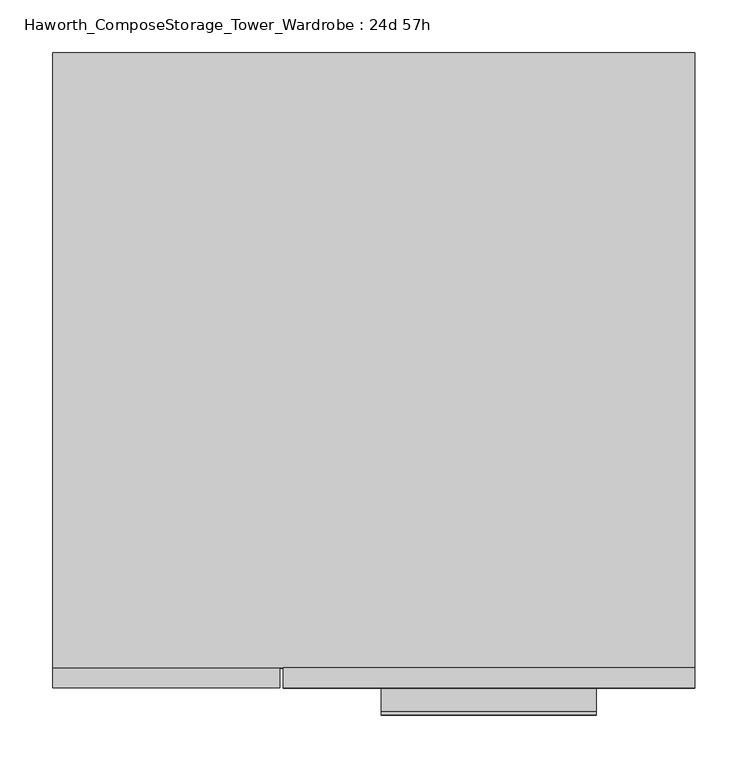
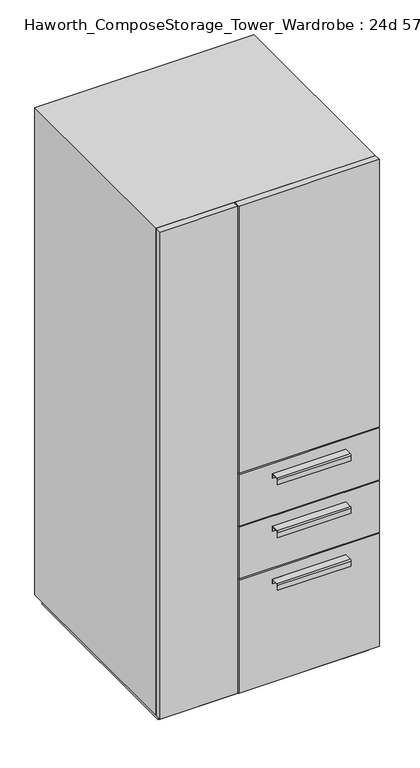
"""IFC4 building model written with IfcOpenShell, lengths in millimetres: furniture geometry, Haworth_ComposeStorage_Tower_Wardrobe : 24d 57h."""

import ifcopenshell
import ifcopenshell.guid

model = None  # the IFC model being written
_history = None  # IfcOwnerHistory: only IFC2X3 demands one
_inside = {}  # id of a spatial element -> (the spatial element, [elements in it])
_under = {}  # id of a project, library or spatial element -> (it, [spatial elements below it])
_declared = {}  # id of a project -> (the project, [libraries it declares])
_typed = {}  # id of a type object -> (the type object, [elements of that type])
_made_of = {}  # id of a material, layer set ... -> (it, [elements and type objects made of it])


def new_model(schema):
    """Start an empty IFC model of exactly this schema.

    Asked for "IFC4X3", IfcOpenShell would pick the latest addendum, in which some entities
    have other attributes; the version numbers below select the first issue.
    IFC2X3 requires an IfcOwnerHistory on every rooted entity: one is made here for all.
    """
    global model, _history
    if schema == "IFC4X3":
        model = ifcopenshell.file(schema_version=(4, 3, 0, 0))
    else:
        model = ifcopenshell.file(schema=schema)
    _inside.clear()
    _under.clear()
    _declared.clear()
    _typed.clear()
    _made_of.clear()
    _history = None
    if model.schema == "IFC2X3":
        org = make("IfcOrganization", Name="unknown")
        user = make(
            "IfcPersonAndOrganization",
            ThePerson=make("IfcPerson", FamilyName="unknown"),
            TheOrganization=org,
        )
        app = make(
            "IfcApplication",
            ApplicationDeveloper=org,
            Version="unknown",
            ApplicationFullName="unknown",
            ApplicationIdentifier="unknown",
        )
        _history = make(
            "IfcOwnerHistory",
            OwningUser=user,
            OwningApplication=app,
            ChangeAction="ADDED",
            CreationDate=0,
        )
    return model


def make(cls, **values):
    """One entity of the class cls with the attributes given. An attribute that is None is left unset."""
    return model.create_entity(
        cls, **{name: value for name, value in values.items() if value is not None}
    )


def rooted(cls, **values):
    """An entity with a GlobalId (a new one), such as an element, a storey or a relation."""
    return make(cls, GlobalId=ifcopenshell.guid.new(), OwnerHistory=_history, **values)


def si_unit(unit_type, name, prefix=None):
    """IfcSIUnit, for example si_unit("LENGTHUNIT", "METRE", prefix="MILLI")."""
    return make("IfcSIUnit", UnitType=unit_type, Prefix=prefix, Name=name)


def assignment(units):
    """IfcUnitAssignment: the units of a project."""
    return None if units is None else make("IfcUnitAssignment", Units=units)


def point(xyz):
    """IfcCartesianPoint."""
    return None if xyz is None else make("IfcCartesianPoint", Coordinates=xyz)


def direction(xyz):
    """IfcDirection."""
    return None if xyz is None else make("IfcDirection", DirectionRatios=xyz)


def frame(location, z_axis=None, x_axis=None):
    """IfcAxis2Placement3D, a coordinate frame: its origin and axes. An axis left out is left unset."""
    return make(
        "IfcAxis2Placement3D",
        Location=point(location),
        Axis=direction(z_axis),
        RefDirection=direction(x_axis),
    )


def frame_2d(location, x_axis=None):
    """IfcAxis2Placement2D, a coordinate frame in the plane: its origin and x axis."""
    return make(
        "IfcAxis2Placement2D", Location=point(location), RefDirection=direction(x_axis)
    )


def origin():
    """The frame at (0, 0, 0) with its axes left unset."""
    return frame((0.0, 0.0, 0.0))


def origin_with_axes():
    """The frame at (0, 0, 0) with the z axis (0, 0, 1) and the x axis (1, 0, 0) written out."""
    return frame((0.0, 0.0, 0.0), z_axis=(0.0, 0.0, 1.0), x_axis=(1.0, 0.0, 0.0))


def place(relative_to, where):
    """IfcLocalPlacement: puts the frame where relative to a parent placement (None: the world)."""
    return make(
        "IfcLocalPlacement", PlacementRelTo=relative_to, RelativePlacement=where
    )


def context(
    kind, dimensions, precision=None, world=None, true_north=None, identifier=None
):
    """IfcGeometricRepresentationContext, for example the 3D "Model" context."""
    return make(
        "IfcGeometricRepresentationContext",
        ContextIdentifier=identifier,
        ContextType=kind,
        CoordinateSpaceDimension=dimensions,
        Precision=precision,
        WorldCoordinateSystem=world,
        TrueNorth=true_north,
    )


def project(units=None, contexts=None):
    """IfcProject with its units and contexts."""
    return rooted(
        "IfcProject",
        Name="project",
        RepresentationContexts=contexts,
        UnitsInContext=assignment(units),
    )


def spatial(cls, under=None, at=None, **own):
    """A site, building, storey or space (cls), placed at a placement, below another one or the project."""
    s = rooted(cls, ObjectPlacement=at, **own)
    if under is not None:
        _under.setdefault(under.id(), (under, []))[1].append(s)
    return s


def polyline(points):
    """IfcPolyline through the points."""
    return make("IfcPolyline", Points=[point(p) for p in points])


def circle_curve(where, radius):
    """IfcCircle in the frame where."""
    return make("IfcCircle", Position=where, Radius=radius)


def trimmed(basis, trim1, trim2, sense, master):
    """IfcTrimmedCurve: the piece of a basis curve between two trims."""
    return make(
        "IfcTrimmedCurve",
        BasisCurve=basis,
        Trim1=trim1,
        Trim2=trim2,
        SenseAgreement=sense,
        MasterRepresentation=master,
    )


def segment(curve, same_sense, transition):
    """IfcCompositeCurveSegment."""
    return make(
        "IfcCompositeCurveSegment",
        Transition=transition,
        SameSense=same_sense,
        ParentCurve=curve,
    )


def composite_curve(segments, self_intersect=None):
    """IfcCompositeCurve: segments joined end to end."""
    return make("IfcCompositeCurve", Segments=segments, SelfIntersect=self_intersect)


def outline(outer, holes=None, kind="AREA"):
    """IfcArbitraryClosedProfileDef: a profile drawn as a closed curve; with holes, ...WithVoids."""
    if holes is None:
        return make("IfcArbitraryClosedProfileDef", ProfileType=kind, OuterCurve=outer)
    return make(
        "IfcArbitraryProfileDefWithVoids",
        ProfileType=kind,
        OuterCurve=outer,
        InnerCurves=holes,
    )


def extrude(swept, where, along, depth):
    """IfcExtrudedAreaSolid: the profile swept, set in the frame where, extruded along a direction by depth."""
    return make(
        "IfcExtrudedAreaSolid",
        SweptArea=swept,
        Position=where,
        ExtrudedDirection=direction(along),
        Depth=depth,
    )


def faces_of(points, faces, orient=None, outer=None):
    """IfcFace entities. A face is a list of loops; a loop is a list of indices into points, from 0.

    orient and outer hold one flag for each loop. By default every Orientation is true, the
    first loop of a face is its IfcFaceOuterBound and the others are IfcFaceBound.
    """
    made = []
    for i, loops in enumerate(faces):
        bounds = []
        for j, loop in enumerate(loops):
            is_outer = j == 0 if outer is None else outer[i][j]
            bounds.append(
                make(
                    "IfcFaceOuterBound" if is_outer else "IfcFaceBound",
                    Bound=make("IfcPolyLoop", Polygon=[points[k] for k in loop]),
                    Orientation=True if orient is None else orient[i][j],
                )
            )
        made.append(make("IfcFace", Bounds=bounds))
    return made


def faceted_brep(points, faces, orient=None, outer=None, voids=None):
    """IfcFacetedBrep: a solid bounded by flat faces; with voids (closed shells), ...WithVoids."""
    shared = [point(p) for p in points]
    hull = make("IfcClosedShell", CfsFaces=faces_of(shared, faces, orient, outer))
    if voids is None:
        return make("IfcFacetedBrep", Outer=hull)
    return make(
        "IfcFacetedBrepWithVoids",
        Outer=hull,
        Voids=[
            make(cls, CfsFaces=faces_of(shared, fs, o, b)) for cls, fs, o, b in voids
        ],
    )


def shape(context_of_items, identifier, shape_type, items):
    """IfcShapeRepresentation: the items that make up one representation, for example the "Body"."""
    return make(
        "IfcShapeRepresentation",
        ContextOfItems=context_of_items,
        RepresentationIdentifier=identifier,
        RepresentationType=shape_type,
        Items=items,
    )


def source(mapping_origin, context_of_items, identifier, shape_type, items):
    """IfcRepresentationMap: a shape defined once, which mapped items show again and again."""
    return make(
        "IfcRepresentationMap",
        MappingOrigin=mapping_origin,
        MappedRepresentation=shape(context_of_items, identifier, shape_type, items),
    )


def transform(
    local_origin,
    x_axis=None,
    y_axis=None,
    z_axis=None,
    scale=None,
    scale2=None,
    scale3=None,
    uniform=True,
):
    """IfcCartesianTransformationOperator3D, or its non-uniform kind. x_axis, y_axis, z_axis: its Axis1, 2, 3."""
    if uniform:
        return make(
            "IfcCartesianTransformationOperator3D",
            Axis1=direction(x_axis),
            Axis2=direction(y_axis),
            LocalOrigin=point(local_origin),
            Scale=scale,
            Axis3=direction(z_axis),
        )
    return make(
        "IfcCartesianTransformationOperator3DnonUniform",
        Axis1=direction(x_axis),
        Axis2=direction(y_axis),
        LocalOrigin=point(local_origin),
        Scale=scale,
        Axis3=direction(z_axis),
        Scale2=scale2,
        Scale3=scale3,
    )


def mapped(mapping_source, mapping_target):
    """IfcMappedItem: shows the shape of a source again, moved by a transform."""
    return make(
        "IfcMappedItem", MappingSource=mapping_source, MappingTarget=mapping_target
    )


def made_of(thing, what):
    """Note that an element or type object is made of a material, layer set ...; save() writes the relation."""
    if what is not None:
        _made_of.setdefault(what.id(), (what, []))[1].append(thing)
    return thing


def element(
    cls,
    number,
    at=None,
    inside=None,
    cuts=None,
    type_object=None,
    material=None,
    context=None,
    identifier="Body",
    shape_type=None,
    held_by="IfcProductDefinitionShape",
    body=None,
    shapes=None,
    **own,
):
    """One element of the class cls, such as IfcWall. Its Tag is "e" and its number.

    at: its placement. inside: the storey or other place that contains it. cuts: it is an
    opening in that element (IfcRelVoidsElement). A single representation is given by context,
    identifier, shape_type and body (its items); several are given by shapes. held_by: the class
    of the entity that holds the representations. save() writes the other relations.
    """
    e = rooted(cls, Tag="e%d" % number, ObjectPlacement=at, **own)
    if body is not None:
        shapes = [shape(context, identifier, shape_type, body)]
    if shapes is not None:
        e.Representation = make(held_by, Representations=shapes)
    if inside is not None:
        _inside.setdefault(inside.id(), (inside, []))[1].append(e)
    if cuts is not None:
        rooted(
            "IfcRelVoidsElement", RelatingBuildingElement=cuts, RelatedOpeningElement=e
        )
    if type_object is not None:
        _typed.setdefault(type_object.id(), (type_object, []))[1].append(e)
    return made_of(e, material)


def aggregate(whole, parts):
    """IfcRelAggregates: a whole, such as a stair, and the parts it consists of."""
    return rooted("IfcRelAggregates", RelatingObject=whole, RelatedObjects=parts)


def save(model, path):
    """Write the relations noted so far, then the file.

    IfcRelAggregates (storeys below a building ...), IfcRelContainedInSpatialStructure (elements
    in a storey), IfcRelDefinesByType, IfcRelAssociatesMaterial and IfcRelDeclares: one each for
    every whole, place, type object, material and project.
    """
    for whole, parts in _under.values():
        aggregate(whole, parts)
    for where, things in _inside.values():
        rooted(
            "IfcRelContainedInSpatialStructure",
            RelatedElements=things,
            RelatingStructure=where,
        )
    for kind, things in _typed.values():
        rooted("IfcRelDefinesByType", RelatedObjects=things, RelatingType=kind)
    for what, things in _made_of.values():
        rooted("IfcRelAssociatesMaterial", RelatedObjects=things, RelatingMaterial=what)
    for by, libraries in _declared.values():
        rooted("IfcRelDeclares", RelatingContext=by, RelatedDefinitions=libraries)
    model.write(path)


def haworth_composestorage_tower_wardrobe_24d_57h_ea13c038(model_context):
    return source(origin(), model_context, "Body", "SolidModel", [
        extrude(outline(composite_curve([segment(polyline([(-331.7875242, 633.9919215), (-309.5625, 633.9919215), (-309.5625, 620.5299525), (-310.3562742, 620.5299525), (-310.3562742, 633.1982199), (-331.7875242, 633.1982199)]), True, "CONTINUOUS"), segment(trimmed(circle_curve(frame_2d((-331.7875242, 630.8142808)), 2.3839392), [point((-331.7875242, 633.1982199))], [point((-334.1714634, 630.8142808))], True, "CARTESIAN"), True, "CONTINUOUS"), segment(polyline([(-334.1714634, 630.8142808), (-334.1714634, 616.2119021), (-334.9624758, 616.2119021), (-334.9624758, 630.8169699)]), True, "CONTINUOUS"), segment(trimmed(circle_curve(frame_2d((-331.7875242, 630.8169699)), 3.1749516), [point((-334.9624758, 630.8169699))], [point((-331.7875242, 633.9919215))], False, "CARTESIAN"), True, "CONTINUOUS")], self_intersect=False)), frame((7.1576406, 0.0, 0.0), z_axis=(1.0, 0.0, 0.0), x_axis=(0.0, 1.0, 0.0)), (0.0, 0.0, 1.0), 203.2),
        extrude(outline(polyline([(303.2263906, -290.5125), (303.2263906, -309.5625), (-85.7111094, -309.5625), (-85.7111094, -290.5125), (303.2263906, -290.5125)])), frame((0.0, 0.0, 512.7625), z_axis=(0.0, 0.0, 1.0), x_axis=(1.0, 0.0, 0.0)), (0.0, 0.0, 1.0), 150.8125),
        extrude(outline(composite_curve([segment(polyline([(-331.7875242, 480.0044215), (-309.5625, 480.0044215), (-309.5625, 466.5424525), (-310.3562742, 466.5424525), (-310.3562742, 479.2107199), (-331.7875242, 479.2107199)]), True, "CONTINUOUS"), segment(trimmed(circle_curve(frame_2d((-331.7875242, 476.8267808)), 2.3839392), [point((-331.7875242, 479.2107199))], [point((-334.1714634, 476.8267808))], True, "CARTESIAN"), True, "CONTINUOUS"), segment(polyline([(-334.1714634, 476.8267808), (-334.1714634, 462.2244021), (-334.9624758, 462.2244021), (-334.9624758, 476.8294699)]), True, "CONTINUOUS"), segment(trimmed(circle_curve(frame_2d((-331.7875242, 476.8294699)), 3.1749516), [point((-334.9624758, 476.8294699))], [point((-331.7875242, 480.0044215))], False, "CARTESIAN"), True, "CONTINUOUS")], self_intersect=False)), frame((7.1576406, 0.0, 0.0), z_axis=(1.0, 0.0, 0.0), x_axis=(0.0, 1.0, 0.0)), (0.0, 0.0, 1.0), 203.2),
        extrude(outline(polyline([(303.2263906, -290.5125), (303.2263906, -309.5625), (-85.7111094, -309.5625), (-85.7111094, -290.5125), (303.2263906, -290.5125)])), frame((0.0, 0.0, 358.775), z_axis=(0.0, 0.0, 1.0), x_axis=(1.0, 0.0, 0.0)), (0.0, 0.0, 1.0), 150.8125),
        extrude(outline(composite_curve([segment(polyline([(-331.7875242, 326.0169215), (-309.5625, 326.0169215), (-309.5625, 312.5549525), (-310.3562742, 312.5549525), (-310.3562742, 325.2232199), (-331.7875242, 325.2232199)]), True, "CONTINUOUS"), segment(trimmed(circle_curve(frame_2d((-331.7875242, 322.8392808)), 2.3839392), [point((-331.7875242, 325.2232199))], [point((-334.1714634, 322.8392808))], True, "CARTESIAN"), True, "CONTINUOUS"), segment(polyline([(-334.1714634, 322.8392808), (-334.1714634, 308.2369021), (-334.9624758, 308.2369021), (-334.9624758, 322.8419699)]), True, "CONTINUOUS"), segment(trimmed(circle_curve(frame_2d((-331.7875242, 322.8419699)), 3.1749516), [point((-334.9624758, 322.8419699))], [point((-331.7875242, 326.0169215))], False, "CARTESIAN"), True, "CONTINUOUS")], self_intersect=False)), frame((7.1576406, 0.0, 0.0), z_axis=(1.0, 0.0, 0.0), x_axis=(0.0, 1.0, 0.0)), (0.0, 0.0, 1.0), 203.2),
        extrude(outline(polyline([(303.2263906, -290.5125), (303.2263906, -309.5625), (-85.7111094, -309.5625), (-85.7111094, -290.5125), (303.2263906, -290.5125)])), frame((0.0, 0.0, 25.4), z_axis=(0.0, 0.0, 1.0), x_axis=(1.0, 0.0, 0.0)), (0.0, 0.0, 1.0), 330.2),
        extrude(outline(polyline([(303.2263906, -290.5125), (303.2263906, -309.5625), (-85.7111094, -309.5625), (-85.7111094, -290.5125), (303.2263906, -290.5125)])), frame((0.0, 0.0, 666.75), z_axis=(0.0, 0.0, 1.0), x_axis=(1.0, 0.0, 0.0)), (0.0, 0.0, 1.0), 781.05),
        faceted_brep([(-303.1986094, -290.5125, 25.4), (303.2263906, -290.5125, 25.4), (303.2263906, -290.5125, 1447.8), (-303.1986094, -290.5125, 1447.8), (-284.1486094, -290.5125, 44.45), (-284.1486094, -290.5125, 1428.75), (284.1694453, -290.5125, 1428.75), (284.1694453, -290.5125, 44.45), (-303.1986094, 290.5125, 25.4), (-303.1986094, 290.5125, 1447.8), (303.2263906, 290.5125, 1447.8), (303.2263906, 290.5125, 25.4), (-284.1486094, 271.4625, 44.45), (-284.1486094, 271.4625, 1428.75), (284.1694453, 271.4625, 1428.75), (284.1694453, 271.4625, 44.45)], [[[0, 1, 2, 3], [4, 5, 6, 7]], [[8, 9, 10, 11]], [[1, 0, 8, 11]], [[2, 1, 11, 10]], [[3, 2, 10, 9]], [[0, 3, 9, 8]], [[5, 4, 12, 13]], [[6, 5, 13, 14]], [[7, 6, 14, 15]], [[4, 7, 15, 12]], [[13, 12, 15, 14]]]),
        extrude(outline(polyline([(290.5263906, -277.8125), (-290.4986094, -277.8125), (-290.4986094, 277.8125), (290.5263906, 277.8125), (290.5263906, -277.8125)])), origin_with_axes(), (0.0, 0.0, 1.0), 25.4),
        extrude(outline(polyline([(-303.1986094, -309.5625), (-303.1986094, -290.5125), (-88.8861094, -290.5125), (-88.8861094, -309.5625), (-303.1986094, -309.5625)])), frame((0.0, 0.0, 25.4), z_axis=(0.0, 0.0, 1.0), x_axis=(1.0, 0.0, 0.0)), (0.0, 0.0, 1.0), 1422.4),
    ])


if __name__ == "__main__":
    model = new_model("IFC4")
    model_context = context("Model", 3, world=origin())
    ifc_project = project(units=[si_unit("LENGTHUNIT", "METRE", prefix="MILLI")], contexts=[model_context])
    site = spatial("IfcSite", under=ifc_project)
    building = spatial("IfcBuilding", under=site)
    placement = place(None, origin())
    haworth_composestorage_tower_wardrobe_24d_57h_shape = haworth_composestorage_tower_wardrobe_24d_57h_ea13c038(model_context)
    element("IfcFurniture", 1, ObjectType="Haworth_ComposeStorage_Tower_Wardrobe : 24d 57h", at=placement, inside=building, context=model_context, shape_type="MappedRepresentation", body=[
        mapped(haworth_composestorage_tower_wardrobe_24d_57h_shape, transform((0.0, 0.0, 0.0), x_axis=(1.0, 0.0, 0.0), y_axis=(0.0, 1.0, 0.0), z_axis=(0.0, 0.0, 1.0))),
    ])
    save(model, "model.ifc")
